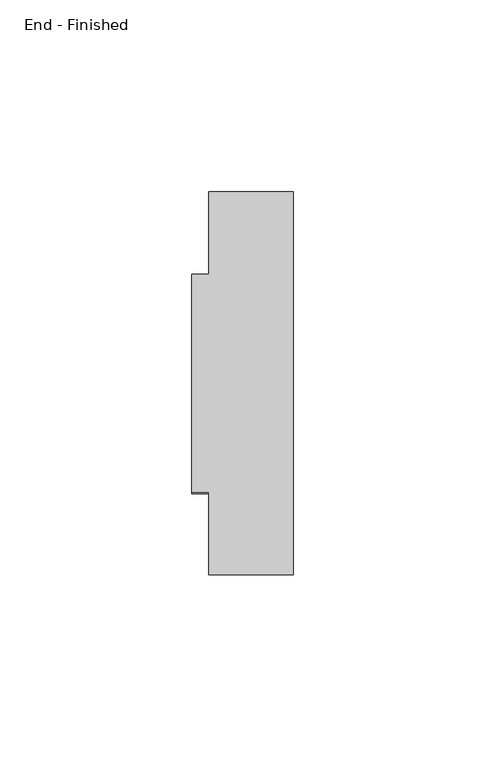
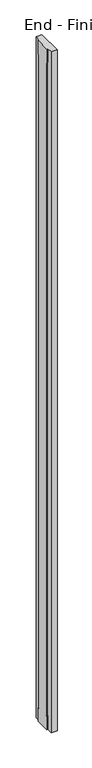
"""IFC4 building model written with IfcOpenShell, lengths in millimetres: furniture geometry, End - Finished."""

from ifc_helpers import new_model, si_unit, origin, place, context, project, spatial, faceted_brep, source, transform, mapped, element, save


def end_finished_474b0c96(model_context):
    return source(origin(), model_context, "Body", "Brep", [
        faceted_brep([(0.0, -1749.552, 2688.082), (0.0, -1752.854, 2688.082), (0.0, -1752.854, 55.118), (0.0, -1749.552, 55.118), (0.0, -1749.552, 0.0), (0.0, -1806.448, 0.0), (0.0, -1806.448, 55.118), (0.0, -1803.146, 55.118), (0.0, -1803.146, 2688.082), (0.0, -1806.448, 2688.082), (0.0, -1806.448, 2743.2), (0.0, -1749.552, 2743.2), (4.4958, -1749.552, 2743.2), (4.4958, -1749.552, 2688.082), (4.4958, -1806.448, 2743.2), (4.4958, -1827.9999, 2743.2), (26.4922, -1827.9999, 2743.2), (26.4922, -1728.0001, 2743.2), (4.4958, -1728.0001, 2743.2), (4.4958, -1806.448, 2688.082), (4.4958, -1803.146, 2688.082), (4.4958, -1803.146, 55.118), (4.4958, -1806.448, 55.118), (4.4958, -1806.448, 0.0), (4.4958, -1749.552, 0.0), (4.4958, -1728.0001, 0.0), (26.4922, -1728.0001, 0.0), (26.4922, -1827.9999, 0.0), (4.4958, -1827.9999, 0.0), (4.4958, -1749.552, 55.118), (4.4958, -1752.854, 55.118), (4.4958, -1752.854, 2688.082)], [[[0, 1, 2, 3, 4, 5, 6, 7, 8, 9, 10, 11]], [[0, 11, 12, 13]], [[11, 10, 14, 15, 16, 17, 18, 12]], [[10, 9, 19, 14]], [[9, 8, 20, 19]], [[8, 7, 21, 20]], [[7, 6, 22, 21]], [[6, 5, 23, 22]], [[5, 4, 24, 25, 26, 27, 28, 23]], [[4, 3, 29, 24]], [[3, 2, 30, 29]], [[2, 1, 31, 30]], [[1, 0, 13, 31]], [[18, 17, 26, 25]], [[18, 25, 24, 29, 30, 31, 13, 12]], [[28, 15, 14, 19, 20, 21, 22, 23]], [[16, 15, 28, 27]], [[17, 16, 27, 26]]]),
    ])


if __name__ == "__main__":
    model = new_model("IFC4")
    model_context = context("Model", 3, world=origin())
    ifc_project = project(units=[si_unit("LENGTHUNIT", "METRE", prefix="MILLI")], contexts=[model_context])
    site = spatial("IfcSite", under=ifc_project)
    building = spatial("IfcBuilding", under=site)
    placement = place(None, origin())
    end_finished_shape = end_finished_474b0c96(model_context)
    element("IfcFurniture", 1, ObjectType="End - Finished", at=placement, inside=building, context=model_context, shape_type="MappedRepresentation", body=[
        mapped(end_finished_shape, transform((0.0, 0.0, 0.0), x_axis=(1.0, 0.0, 0.0), y_axis=(0.0, 1.0, 0.0), z_axis=(0.0, 0.0, 1.0))),
    ])
    save(model, "model.ifc")
